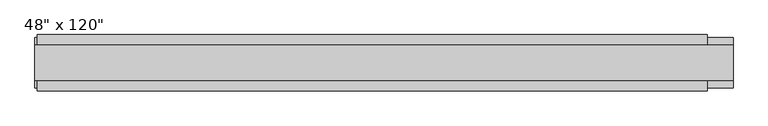
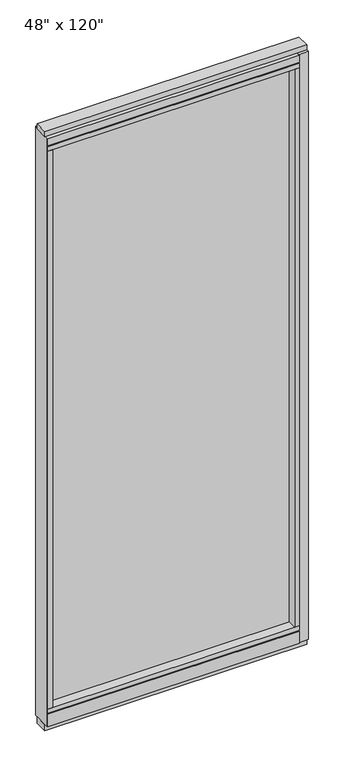
"""IFC4 building model written with IfcOpenShell, lengths in millimetres: furniture geometry."""

from ifc_helpers import new_model, si_unit, frame, origin, origin_with_axes, place, context, project, spatial, polyline, outline, extrude, source, transform, mapped, element, save


def furniture_3caaa730(model_context):
    return source(origin(), model_context, "Body", "SweptSolid", [
        extrude(outline(polyline([(523.4014771, 9.5977216), (523.4014771, -0.5622784), (-643.4745229, -0.5622784), (-643.4745229, 9.5977216), (523.4014771, 9.5977216)])), frame((0.0, 0.0, 120.523), z_axis=(0.0, 0.0, 1.0), x_axis=(1.0, 0.0, 0.0)), (0.0, 0.0, 1.0), 2838.577),
        extrude(outline(polyline([(55.3177216, 93.345), (55.3177216, 31.75), (-46.2822784, 31.75), (-46.2822784, 93.345), (-41.3292784, 93.345), (-41.3292784, 98.298), (50.3647216, 98.298), (50.3647216, 93.345), (55.3177216, 93.345)])), frame((-665.6995229, 0.0, 0.0), z_axis=(1.0, 0.0, 0.0), x_axis=(0.0, 1.0, 0.0)), (0.0, 0.0, 1.0), 1211.326),
        extrude(outline(polyline([(-665.6995229, 55.3177216), (545.6264771, 55.3177216), (545.6264771, -46.2822784), (-665.6995229, -46.2822784), (-665.6995229, 55.3177216)])), frame((0.0, 0.0, 98.298), z_axis=(0.0, 0.0, 1.0), x_axis=(1.0, 0.0, 0.0)), (0.0, 0.0, 1.0), 22.225),
        extrude(outline(polyline([(592.4894771, -27.9942784), (-669.6365229, -27.9942784), (-669.6365229, 37.0297216), (592.4894771, 37.0297216), (592.4894771, -27.9942784)])), origin_with_axes(), (0.0, 0.0, 1.0), 31.75),
        extrude(outline(polyline([(-669.6365229, 37.0297216), (592.4894771, 37.0297216), (592.4894771, -27.9942784), (-669.6365229, -27.9942784), (-669.6365229, 37.0297216)])), frame((0.0, 0.0, 3022.6), z_axis=(0.0, 0.0, 1.0), x_axis=(1.0, 0.0, 0.0)), (0.0, 0.0, 1.0), 25.4),
        extrude(outline(polyline([(55.3177216, 2986.278), (50.3647216, 2986.278), (50.3647216, 2981.325), (-41.3292784, 2981.325), (-41.3292784, 2986.278), (-46.2822784, 2986.278), (-46.2822784, 3022.6), (55.3177216, 3022.6), (55.3177216, 2986.278)])), frame((-665.6995229, 0.0, 0.0), z_axis=(1.0, 0.0, 0.0), x_axis=(0.0, 1.0, 0.0)), (0.0, 0.0, 1.0), 1211.326),
        extrude(outline(polyline([(545.6264771, -46.2822784), (-665.6995229, -46.2822784), (-665.6995229, 55.3177216), (545.6264771, 55.3177216), (545.6264771, -46.2822784)])), frame((0.0, 0.0, 2959.1), z_axis=(0.0, 0.0, 1.0), x_axis=(1.0, 0.0, 0.0)), (0.0, 0.0, 1.0), 22.225),
        extrude(outline(polyline([(523.4014771, 55.3177216), (545.6264771, 55.3177216), (545.6264771, -46.2822784), (523.4014771, -46.2822784), (523.4014771, 55.3177216)])), frame((0.0, 0.0, 120.523), z_axis=(0.0, 0.0, 1.0), x_axis=(1.0, 0.0, 0.0)), (0.0, 0.0, 1.0), 2838.577),
        extrude(outline(polyline([(-643.4745229, 55.3177216), (-643.4745229, -46.2822784), (-665.6995229, -46.2822784), (-665.6995229, 55.3177216), (-643.4745229, 55.3177216)])), frame((0.0, 0.0, 120.523), z_axis=(0.0, 0.0, 1.0), x_axis=(1.0, 0.0, 0.0)), (0.0, 0.0, 1.0), 2838.577),
        extrude(outline(polyline([(592.4894771, 50.3647216), (592.4894771, -41.3292784), (545.6264771, -41.3292784), (545.6264771, 50.3647216), (592.4894771, 50.3647216)])), frame((0.0, 0.0, 31.75), z_axis=(0.0, 0.0, 1.0), x_axis=(1.0, 0.0, 0.0)), (0.0, 0.0, 1.0), 2990.85),
        extrude(outline(polyline([(-669.6365229, 50.3647216), (-665.6995229, 50.3647216), (-665.6995229, -41.3292784), (-669.6365229, -41.3292784), (-669.6365229, 50.3647216)])), frame((0.0, 0.0, 31.75), z_axis=(0.0, 0.0, 1.0), x_axis=(1.0, 0.0, 0.0)), (0.0, 0.0, 1.0), 2990.85),
    ])


if __name__ == "__main__":
    model = new_model("IFC4")
    model_context = context("Model", 3, world=origin())
    ifc_project = project(units=[si_unit("LENGTHUNIT", "METRE", prefix="MILLI")], contexts=[model_context])
    site = spatial("IfcSite", under=ifc_project)
    building = spatial("IfcBuilding", under=site)
    placement = place(None, origin())
    furniture_shape = furniture_3caaa730(model_context)
    element("IfcFurniture", 1, ObjectType="48\" x 120\"", at=placement, inside=building, context=model_context, shape_type="MappedRepresentation", body=[
        mapped(furniture_shape, transform((0.0, 0.0, 0.0), x_axis=(1.0, 0.0, 0.0), y_axis=(0.0, 1.0, 0.0), z_axis=(0.0, 0.0, 1.0))),
    ])
    save(model, "model.ifc")
